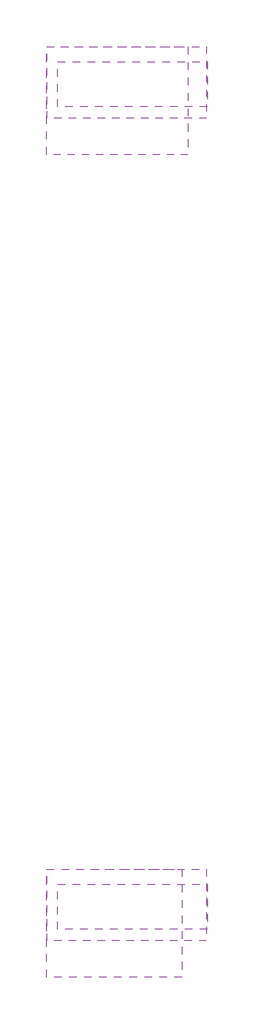
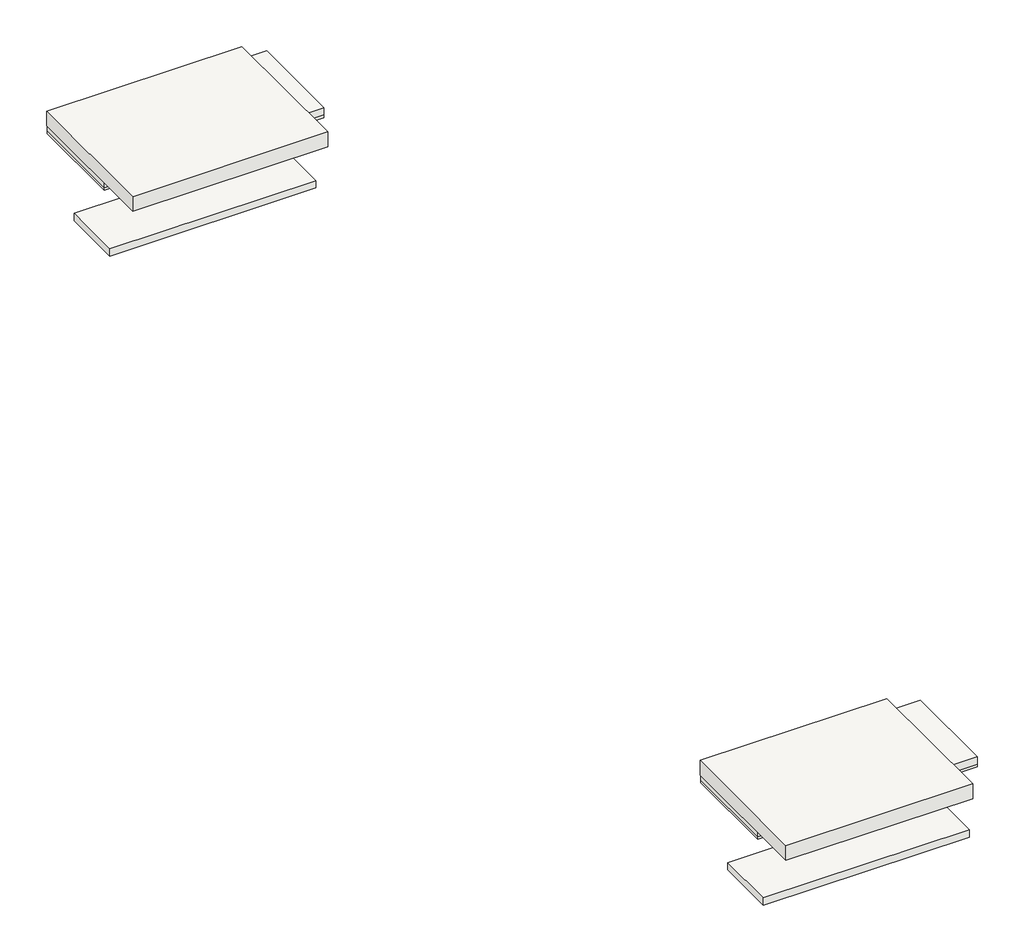
# One storey: 8 slabs.
"""IFC4 building model written with IfcOpenShell, lengths in millimetres."""

from ifc_helpers import new_model, si_unit, frame, origin, place, context, project, spatial, polyline, outline, extrude, element, save

model = new_model("IFC4")

# Units and contexts
model_context = context("Model", 3, world=origin())
ifc_project = project(units=[si_unit("LENGTHUNIT", "METRE", prefix="MILLI")], contexts=[model_context])

# Site, building, storey
site = spatial("IfcSite", under=ifc_project)
building = spatial("IfcBuilding", under=site)
storey = spatial("IfcBuildingStorey", under=building, Elevation=-4000.0)

# Slabs
placement = place(None, origin())
element("IfcSlab", 1, at=placement, inside=storey, context=model_context, shape_type="SweptSolid", body=[
    extrude(outline(polyline([(6014.574092, 2815.9602133), (6014.574092, 4015.9602133), (10014.574092, 4015.9602133), (10014.574092, 2815.9602133), (6014.574092, 2815.9602133)])), frame((0.0, 0.0, 650.0), z_axis=(0.0, 0.0, 1.0), x_axis=(1.0, 0.0, 0.0)), (0.0, 0.0, 1.0), 150.0),
])
element("IfcSlab", 2, at=placement, inside=storey, context=model_context, shape_type="SweptSolid", body=[
    extrude(outline(polyline([(5709.0174966, 1525.2946397), (5709.0174966, 4419.9303426), (9505.3595072, 4419.9303426), (9505.3595072, 1525.2946397), (5709.0174966, 1525.2946397)])), frame((0.0, 0.0, 2460.0), z_axis=(0.0, 0.0, 1.0), x_axis=(1.0, 0.0, 0.0)), (0.0, 0.0, 1.0), 300.0),
])
element("IfcSlab", 3, at=placement, inside=storey, context=model_context, shape_type="SweptSolid", body=[
    extrude(outline(polyline([(5726.6989198, 2501.216514), (5726.6989198, 4423.3183894), (9993.9819706, 4423.3183894), (9993.9819706, 2501.216514), (5726.6989198, 2501.216514)])), frame((0.0, 0.0, 2347.7084102), z_axis=(0.0, 0.0, 1.0), x_axis=(1.0, 0.0, 0.0)), (0.0, 0.0, 1.0), 150.0),
])
element("IfcSlab", 4, at=placement, inside=storey, context=model_context, shape_type="SweptSolid", body=[
    extrude(outline(polyline([(5726.6989198, 2501.216514), (5726.6989198, 4423.3183894), (9993.9819706, 4423.3183894), (9993.9819706, 2501.216514), (5726.6989198, 2501.216514)])), frame((0.0, 0.0, 2293.6999761), z_axis=(0.0, 0.0, 1.0), x_axis=(1.0, 0.0, 0.0)), (0.0, 0.0, 1.0), 150.0),
])
element("IfcSlab", 5, at=placement, inside=storey, context=model_context, shape_type="SweptSolid", body=[
    extrude(outline(polyline([(6014.574092, -19184.0397867), (6014.574092, -17984.0397867), (10014.574092, -17984.0397867), (10014.574092, -19184.0397867), (6014.574092, -19184.0397867)])), frame((0.0, 0.0, 650.0), z_axis=(0.0, 0.0, 1.0), x_axis=(1.0, 0.0, 0.0)), (0.0, 0.0, 1.0), 150.0),
])
element("IfcSlab", 6, at=placement, inside=storey, context=model_context, shape_type="SweptSolid", body=[
    extrude(outline(polyline([(5709.0174966, -20474.7053603), (5709.0174966, -17580.0696574), (9341.185032, -17580.0696574), (9341.185032, -20474.7053603), (5709.0174966, -20474.7053603)])), frame((0.0, 0.0, 2460.0), z_axis=(0.0, 0.0, 1.0), x_axis=(1.0, 0.0, 0.0)), (0.0, 0.0, 1.0), 300.0),
])
element("IfcSlab", 7, at=placement, inside=storey, context=model_context, shape_type="SweptSolid", body=[
    extrude(outline(polyline([(5726.6989198, -19498.783486), (5726.6989198, -17576.6816106), (9993.9819706, -17576.6816106), (9993.9819706, -19498.783486), (5726.6989198, -19498.783486)])), frame((0.0, 0.0, 2347.7084102), z_axis=(0.0, 0.0, 1.0), x_axis=(1.0, 0.0, 0.0)), (0.0, 0.0, 1.0), 150.0),
])
element("IfcSlab", 8, at=placement, inside=storey, context=model_context, shape_type="SweptSolid", body=[
    extrude(outline(polyline([(5726.6989198, -19498.783486), (5726.6989198, -17576.6816106), (9993.9819706, -17576.6816106), (9993.9819706, -19498.783486), (5726.6989198, -19498.783486)])), frame((0.0, 0.0, 2293.6999761), z_axis=(0.0, 0.0, 1.0), x_axis=(1.0, 0.0, 0.0)), (0.0, 0.0, 1.0), 150.0),
])

save(model, "model.ifc")
